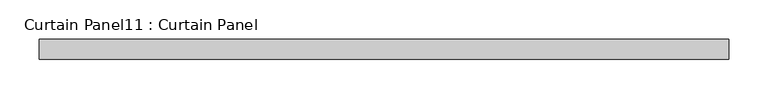
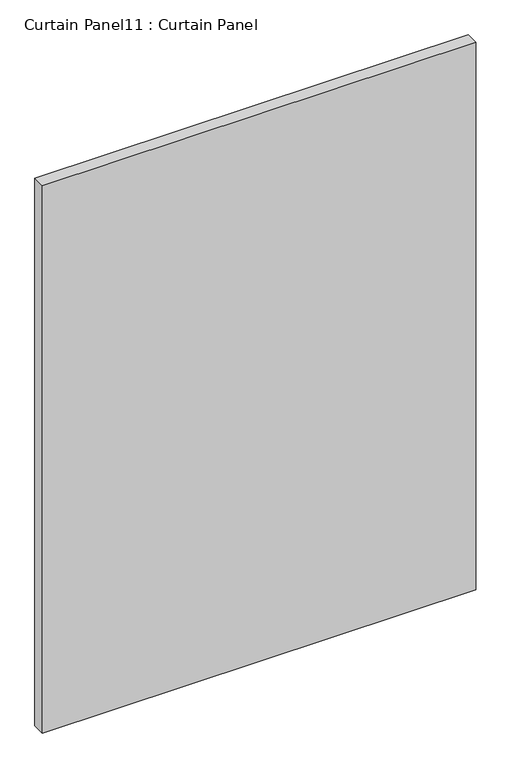
"""IFC4 building model written with IfcOpenShell, lengths in millimetres: plate geometry, Curtain Panel11 : Curtain Panel."""

import ifcopenshell
import ifcopenshell.guid

model = None  # the IFC model being written
_history = None  # IfcOwnerHistory: only IFC2X3 demands one
_inside = {}  # id of a spatial element -> (the spatial element, [elements in it])
_under = {}  # id of a project, library or spatial element -> (it, [spatial elements below it])
_declared = {}  # id of a project -> (the project, [libraries it declares])
_typed = {}  # id of a type object -> (the type object, [elements of that type])
_made_of = {}  # id of a material, layer set ... -> (it, [elements and type objects made of it])


def new_model(schema):
    """Start an empty IFC model of exactly this schema.

    Asked for "IFC4X3", IfcOpenShell would pick the latest addendum, in which some entities
    have other attributes; the version numbers below select the first issue.
    IFC2X3 requires an IfcOwnerHistory on every rooted entity: one is made here for all.
    """
    global model, _history
    if schema == "IFC4X3":
        model = ifcopenshell.file(schema_version=(4, 3, 0, 0))
    else:
        model = ifcopenshell.file(schema=schema)
    _inside.clear()
    _under.clear()
    _declared.clear()
    _typed.clear()
    _made_of.clear()
    _history = None
    if model.schema == "IFC2X3":
        org = make("IfcOrganization", Name="unknown")
        user = make(
            "IfcPersonAndOrganization",
            ThePerson=make("IfcPerson", FamilyName="unknown"),
            TheOrganization=org,
        )
        app = make(
            "IfcApplication",
            ApplicationDeveloper=org,
            Version="unknown",
            ApplicationFullName="unknown",
            ApplicationIdentifier="unknown",
        )
        _history = make(
            "IfcOwnerHistory",
            OwningUser=user,
            OwningApplication=app,
            ChangeAction="ADDED",
            CreationDate=0,
        )
    return model


def make(cls, **values):
    """One entity of the class cls with the attributes given. An attribute that is None is left unset."""
    return model.create_entity(
        cls, **{name: value for name, value in values.items() if value is not None}
    )


def rooted(cls, **values):
    """An entity with a GlobalId (a new one), such as an element, a storey or a relation."""
    return make(cls, GlobalId=ifcopenshell.guid.new(), OwnerHistory=_history, **values)


def si_unit(unit_type, name, prefix=None):
    """IfcSIUnit, for example si_unit("LENGTHUNIT", "METRE", prefix="MILLI")."""
    return make("IfcSIUnit", UnitType=unit_type, Prefix=prefix, Name=name)


def assignment(units):
    """IfcUnitAssignment: the units of a project."""
    return None if units is None else make("IfcUnitAssignment", Units=units)


def point(xyz):
    """IfcCartesianPoint."""
    return None if xyz is None else make("IfcCartesianPoint", Coordinates=xyz)


def direction(xyz):
    """IfcDirection."""
    return None if xyz is None else make("IfcDirection", DirectionRatios=xyz)


def frame(location, z_axis=None, x_axis=None):
    """IfcAxis2Placement3D, a coordinate frame: its origin and axes. An axis left out is left unset."""
    return make(
        "IfcAxis2Placement3D",
        Location=point(location),
        Axis=direction(z_axis),
        RefDirection=direction(x_axis),
    )


def origin():
    """The frame at (0, 0, 0) with its axes left unset."""
    return frame((0.0, 0.0, 0.0))


def place(relative_to, where):
    """IfcLocalPlacement: puts the frame where relative to a parent placement (None: the world)."""
    return make(
        "IfcLocalPlacement", PlacementRelTo=relative_to, RelativePlacement=where
    )


def context(
    kind, dimensions, precision=None, world=None, true_north=None, identifier=None
):
    """IfcGeometricRepresentationContext, for example the 3D "Model" context."""
    return make(
        "IfcGeometricRepresentationContext",
        ContextIdentifier=identifier,
        ContextType=kind,
        CoordinateSpaceDimension=dimensions,
        Precision=precision,
        WorldCoordinateSystem=world,
        TrueNorth=true_north,
    )


def project(units=None, contexts=None):
    """IfcProject with its units and contexts."""
    return rooted(
        "IfcProject",
        Name="project",
        RepresentationContexts=contexts,
        UnitsInContext=assignment(units),
    )


def spatial(cls, under=None, at=None, **own):
    """A site, building, storey or space (cls), placed at a placement, below another one or the project."""
    s = rooted(cls, ObjectPlacement=at, **own)
    if under is not None:
        _under.setdefault(under.id(), (under, []))[1].append(s)
    return s


def polyline(points):
    """IfcPolyline through the points."""
    return make("IfcPolyline", Points=[point(p) for p in points])


def outline(outer, holes=None, kind="AREA"):
    """IfcArbitraryClosedProfileDef: a profile drawn as a closed curve; with holes, ...WithVoids."""
    if holes is None:
        return make("IfcArbitraryClosedProfileDef", ProfileType=kind, OuterCurve=outer)
    return make(
        "IfcArbitraryProfileDefWithVoids",
        ProfileType=kind,
        OuterCurve=outer,
        InnerCurves=holes,
    )


def extrude(swept, where, along, depth):
    """IfcExtrudedAreaSolid: the profile swept, set in the frame where, extruded along a direction by depth."""
    return make(
        "IfcExtrudedAreaSolid",
        SweptArea=swept,
        Position=where,
        ExtrudedDirection=direction(along),
        Depth=depth,
    )


def shape(context_of_items, identifier, shape_type, items):
    """IfcShapeRepresentation: the items that make up one representation, for example the "Body"."""
    return make(
        "IfcShapeRepresentation",
        ContextOfItems=context_of_items,
        RepresentationIdentifier=identifier,
        RepresentationType=shape_type,
        Items=items,
    )


def source(mapping_origin, context_of_items, identifier, shape_type, items):
    """IfcRepresentationMap: a shape defined once, which mapped items show again and again."""
    return make(
        "IfcRepresentationMap",
        MappingOrigin=mapping_origin,
        MappedRepresentation=shape(context_of_items, identifier, shape_type, items),
    )


def transform(
    local_origin,
    x_axis=None,
    y_axis=None,
    z_axis=None,
    scale=None,
    scale2=None,
    scale3=None,
    uniform=True,
):
    """IfcCartesianTransformationOperator3D, or its non-uniform kind. x_axis, y_axis, z_axis: its Axis1, 2, 3."""
    if uniform:
        return make(
            "IfcCartesianTransformationOperator3D",
            Axis1=direction(x_axis),
            Axis2=direction(y_axis),
            LocalOrigin=point(local_origin),
            Scale=scale,
            Axis3=direction(z_axis),
        )
    return make(
        "IfcCartesianTransformationOperator3DnonUniform",
        Axis1=direction(x_axis),
        Axis2=direction(y_axis),
        LocalOrigin=point(local_origin),
        Scale=scale,
        Axis3=direction(z_axis),
        Scale2=scale2,
        Scale3=scale3,
    )


def mapped(mapping_source, mapping_target):
    """IfcMappedItem: shows the shape of a source again, moved by a transform."""
    return make(
        "IfcMappedItem", MappingSource=mapping_source, MappingTarget=mapping_target
    )


def made_of(thing, what):
    """Note that an element or type object is made of a material, layer set ...; save() writes the relation."""
    if what is not None:
        _made_of.setdefault(what.id(), (what, []))[1].append(thing)
    return thing


def element(
    cls,
    number,
    at=None,
    inside=None,
    cuts=None,
    type_object=None,
    material=None,
    context=None,
    identifier="Body",
    shape_type=None,
    held_by="IfcProductDefinitionShape",
    body=None,
    shapes=None,
    **own,
):
    """One element of the class cls, such as IfcWall. Its Tag is "e" and its number.

    at: its placement. inside: the storey or other place that contains it. cuts: it is an
    opening in that element (IfcRelVoidsElement). A single representation is given by context,
    identifier, shape_type and body (its items); several are given by shapes. held_by: the class
    of the entity that holds the representations. save() writes the other relations.
    """
    e = rooted(cls, Tag="e%d" % number, ObjectPlacement=at, **own)
    if body is not None:
        shapes = [shape(context, identifier, shape_type, body)]
    if shapes is not None:
        e.Representation = make(held_by, Representations=shapes)
    if inside is not None:
        _inside.setdefault(inside.id(), (inside, []))[1].append(e)
    if cuts is not None:
        rooted(
            "IfcRelVoidsElement", RelatingBuildingElement=cuts, RelatedOpeningElement=e
        )
    if type_object is not None:
        _typed.setdefault(type_object.id(), (type_object, []))[1].append(e)
    return made_of(e, material)


def aggregate(whole, parts):
    """IfcRelAggregates: a whole, such as a stair, and the parts it consists of."""
    return rooted("IfcRelAggregates", RelatingObject=whole, RelatedObjects=parts)


def save(model, path):
    """Write the relations noted so far, then the file.

    IfcRelAggregates (storeys below a building ...), IfcRelContainedInSpatialStructure (elements
    in a storey), IfcRelDefinesByType, IfcRelAssociatesMaterial and IfcRelDeclares: one each for
    every whole, place, type object, material and project.
    """
    for whole, parts in _under.values():
        aggregate(whole, parts)
    for where, things in _inside.values():
        rooted(
            "IfcRelContainedInSpatialStructure",
            RelatedElements=things,
            RelatingStructure=where,
        )
    for kind, things in _typed.values():
        rooted("IfcRelDefinesByType", RelatedObjects=things, RelatingType=kind)
    for what, things in _made_of.values():
        rooted("IfcRelAssociatesMaterial", RelatedObjects=things, RelatingMaterial=what)
    for by, libraries in _declared.values():
        rooted("IfcRelDeclares", RelatingContext=by, RelatedDefinitions=libraries)
    model.write(path)


def curtain_panel11_curtain_panel_ea3301b4(model_context):
    return source(origin(), model_context, "Body", "SweptSolid", [
        extrude(outline(polyline([(-52478.7315479, -2008.5687974), (-53356.8857479, -2008.5687974), (-53356.8857479, -1983.1687974), (-52478.7315479, -1983.1687974), (-52478.7315479, -2008.5687974)])), frame((0.0, 0.0, 1242.364058), z_axis=(0.0, 0.0, 1.0), x_axis=(1.0, 0.0, 0.0)), (0.0, 0.0, 1.0), 1172.261542),
    ])


if __name__ == "__main__":
    model = new_model("IFC4")
    model_context = context("Model", 3, world=origin())
    ifc_project = project(units=[si_unit("LENGTHUNIT", "METRE", prefix="MILLI")], contexts=[model_context])
    site = spatial("IfcSite", under=ifc_project)
    building = spatial("IfcBuilding", under=site)
    placement = place(None, origin())
    curtain_panel11_curtain_panel_shape = curtain_panel11_curtain_panel_ea3301b4(model_context)
    element("IfcPlate", 1, ObjectType="Curtain Panel11 : Curtain Panel", at=placement, inside=building, context=model_context, shape_type="MappedRepresentation", body=[
        mapped(curtain_panel11_curtain_panel_shape, transform((0.0, 0.0, 0.0), x_axis=(1.0, 0.0, 0.0), y_axis=(0.0, 1.0, 0.0), z_axis=(0.0, 0.0, 1.0))),
    ])
    save(model, "model.ifc")
